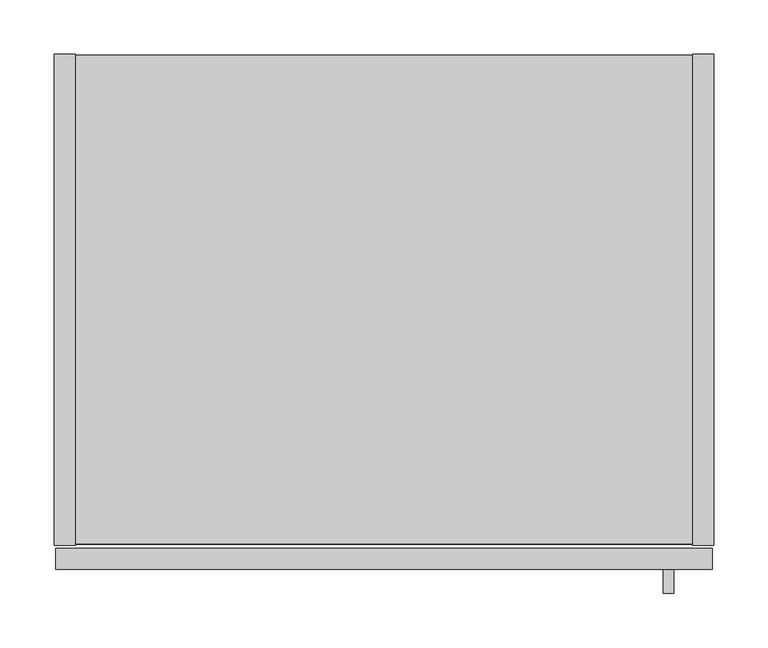
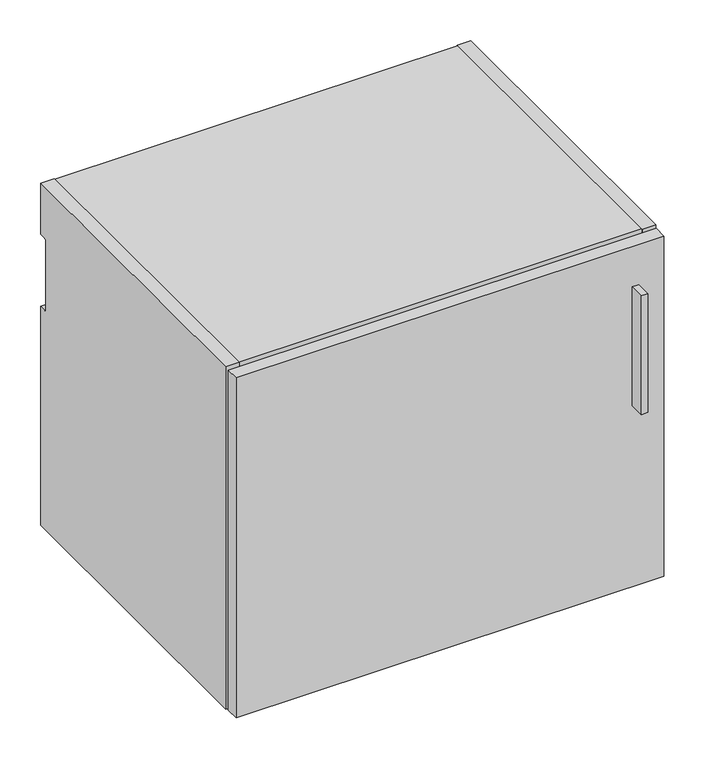
"""IFC4 building model written with IfcOpenShell, lengths in millimetres: furniture geometry."""

from ifc_helpers import new_model, si_unit, point, frame, frame_2d, origin, place, context, project, spatial, polyline, circle_curve, trimmed, segment, composite_curve, outline, extrude, source, transform, mapped, element, save


def furniture_4086be49(model_context):
    return source(origin(), model_context, "Body", "SweptSolid", [
        extrude(outline(polyline([(572.4513631, -498.729), (562.9263631, -498.729), (562.9263631, -476.504), (572.4513631, -476.504), (572.4513631, -498.729)])), frame((0.0, 0.0, 596.9), z_axis=(0.0, 0.0, 1.0), x_axis=(1.0, 0.0, 0.0)), (0.0, 0.0, 1.0), 177.8),
        extrude(outline(polyline([(608.0125, -476.504), (1.5875, -476.504), (1.5875, -457.2), (608.0125, -457.2), (608.0125, -476.504)])), frame((0.0, 0.0, 325.628), z_axis=(0.0, 0.0, 1.0), x_axis=(1.0, 0.0, 0.0)), (0.0, 0.0, 1.0), 509.397),
        extrude(outline(composite_curve([segment(polyline([(-454.025, 838.2), (0.0, 838.2), (0.0, 761.492), (-9.3963729, 761.492)]), True, "CONTINUOUS"), segment(trimmed(circle_curve(frame_2d((-9.3963729, 758.1883729)), 3.3036271), [point((-9.3963729, 761.492))], [point((-12.7, 758.1883729))], True, "CARTESIAN"), True, "CONTINUOUS"), segment(polyline([(-12.7, 758.1883729), (-12.7, 656.844)]), True, "CONTINUOUS"), segment(trimmed(circle_curve(frame_2d((-9.398, 656.844)), 3.302), [point((-12.7, 656.844))], [point((-9.398, 653.542))], True, "CARTESIAN"), True, "CONTINUOUS"), segment(polyline([(-9.398, 653.542), (0.0, 653.542), (0.0, 325.628), (-454.025, 325.628), (-454.025, 838.2)]), True, "CONTINUOUS")], self_intersect=False)), frame((590.296, 0.0, 0.0), z_axis=(1.0, 0.0, 0.0), x_axis=(0.0, 1.0, 0.0)), (0.0, 0.0, 1.0), 19.304),
        extrude(outline(polyline([(590.296, -0.9906), (590.296, -453.0344), (19.304, -453.0344), (19.304, -0.9906), (590.296, -0.9906)])), frame((0.0, 0.0, 326.6186), z_axis=(0.0, 0.0, 1.0), x_axis=(1.0, 0.0, 0.0)), (0.0, 0.0, 1.0), 19.304),
        extrude(outline(composite_curve([segment(polyline([(-32.004, 818.896), (-11.938, 818.896), (-11.938, 760.2988429)]), True, "CONTINUOUS"), segment(trimmed(circle_curve(frame_2d((-9.3963729, 758.1883729)), 3.3036271), [point((-11.938, 760.2988429))], [point((-12.7, 758.1883729))], True, "CARTESIAN"), True, "CONTINUOUS"), segment(polyline([(-12.7, 758.1883729), (-12.7, 656.844)]), True, "CONTINUOUS"), segment(trimmed(circle_curve(frame_2d((-9.398, 656.844)), 3.302), [point((-12.7, 656.844))], [point((-11.938, 654.7341175))], True, "CARTESIAN"), True, "CONTINUOUS"), segment(polyline([(-11.938, 654.7341175), (-11.938, 345.9226), (-32.004, 345.9226), (-32.004, 818.896)]), True, "CONTINUOUS")], self_intersect=False)), frame((19.304, 0.0, 0.0), z_axis=(1.0, 0.0, 0.0), x_axis=(0.0, 1.0, 0.0)), (0.0, 0.0, 1.0), 570.992),
        extrude(outline(composite_curve([segment(polyline([(-454.025, 838.2), (0.0, 838.2), (0.0, 761.492), (-9.3963729, 761.492)]), True, "CONTINUOUS"), segment(trimmed(circle_curve(frame_2d((-9.3963729, 758.1883729)), 3.3036271), [point((-9.3963729, 761.492))], [point((-12.7, 758.1883729))], True, "CARTESIAN"), True, "CONTINUOUS"), segment(polyline([(-12.7, 758.1883729), (-12.7, 656.844)]), True, "CONTINUOUS"), segment(trimmed(circle_curve(frame_2d((-9.398, 656.844)), 3.302), [point((-12.7, 656.844))], [point((-9.398, 653.542))], True, "CARTESIAN"), True, "CONTINUOUS"), segment(polyline([(-9.398, 653.542), (0.0, 653.542), (0.0, 325.628), (-454.025, 325.628), (-454.025, 838.2)]), True, "CONTINUOUS")], self_intersect=False)), frame((0.0, 0.0, 0.0), z_axis=(1.0, 0.0, 0.0), x_axis=(0.0, 1.0, 0.0)), (0.0, 0.0, 1.0), 19.304),
        extrude(outline(polyline([(590.296, -453.0344), (19.304, -453.0344), (19.304, -0.9906), (590.296, -0.9906), (590.296, -453.0344)])), frame((0.0, 0.0, 818.896), z_axis=(0.0, 0.0, 1.0), x_axis=(1.0, 0.0, 0.0)), (0.0, 0.0, 1.0), 19.304),
    ])


if __name__ == "__main__":
    model = new_model("IFC4")
    model_context = context("Model", 3, world=origin())
    ifc_project = project(units=[si_unit("LENGTHUNIT", "METRE", prefix="MILLI")], contexts=[model_context])
    site = spatial("IfcSite", under=ifc_project)
    building = spatial("IfcBuilding", under=site)
    placement = place(None, origin())
    furniture_shape = furniture_4086be49(model_context)
    element("IfcFurniture", 1, at=placement, inside=building, context=model_context, shape_type="MappedRepresentation", body=[
        mapped(furniture_shape, transform((0.0, 0.0, 0.0), x_axis=(1.0, 0.0, 0.0), y_axis=(0.0, 1.0, 0.0), z_axis=(0.0, 0.0, 1.0))),
    ])
    save(model, "model.ifc")
